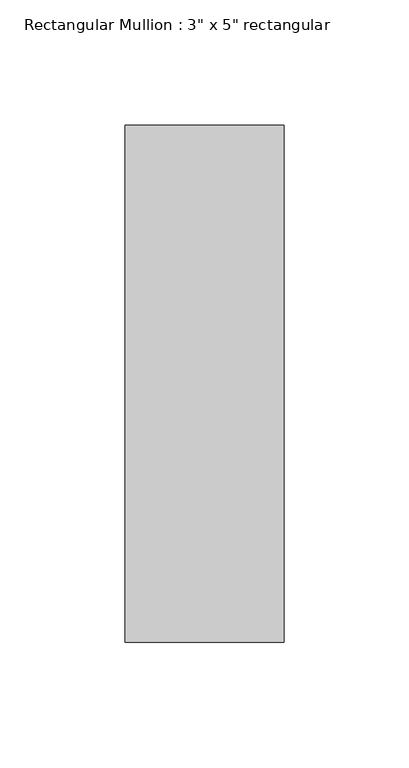
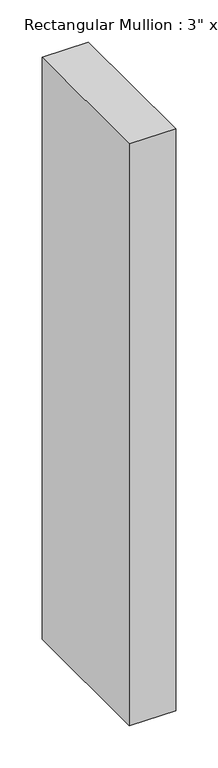
"""IFC4 building model written with IfcOpenShell, lengths in millimetres: member geometry."""

from ifc_helpers import new_model, si_unit, frame, origin, place, context, project, spatial, polyline, outline, extrude, source, transform, mapped, element, save


def member_bf2d0896(model_context):
    return source(origin(), model_context, "Body", "SweptSolid", [
        extrude(outline(polyline([(31.75, 90.551), (31.75, -115.951), (-31.75, -115.951), (-31.75, 90.551), (31.75, 90.551)])), frame((0.0, 0.0, -842.8369135), z_axis=(0.0, 0.0, 1.0), x_axis=(1.0, 0.0, 0.0)), (0.0, 0.0, 1.0), 842.8369135),
    ])


if __name__ == "__main__":
    model = new_model("IFC4")
    model_context = context("Model", 3, world=origin())
    ifc_project = project(units=[si_unit("LENGTHUNIT", "METRE", prefix="MILLI")], contexts=[model_context])
    site = spatial("IfcSite", under=ifc_project)
    building = spatial("IfcBuilding", under=site)
    placement = place(None, origin())
    member_shape = member_bf2d0896(model_context)
    element("IfcMember", 1, ObjectType="Rectangular Mullion : 3\" x 5\" rectangular", at=placement, inside=building, context=model_context, shape_type="MappedRepresentation", body=[
        mapped(member_shape, transform((0.0, 0.0, 0.0), x_axis=(1.0, 0.0, 0.0), y_axis=(0.0, 1.0, 0.0), z_axis=(0.0, 0.0, 1.0))),
    ])
    save(model, "model.ifc")
